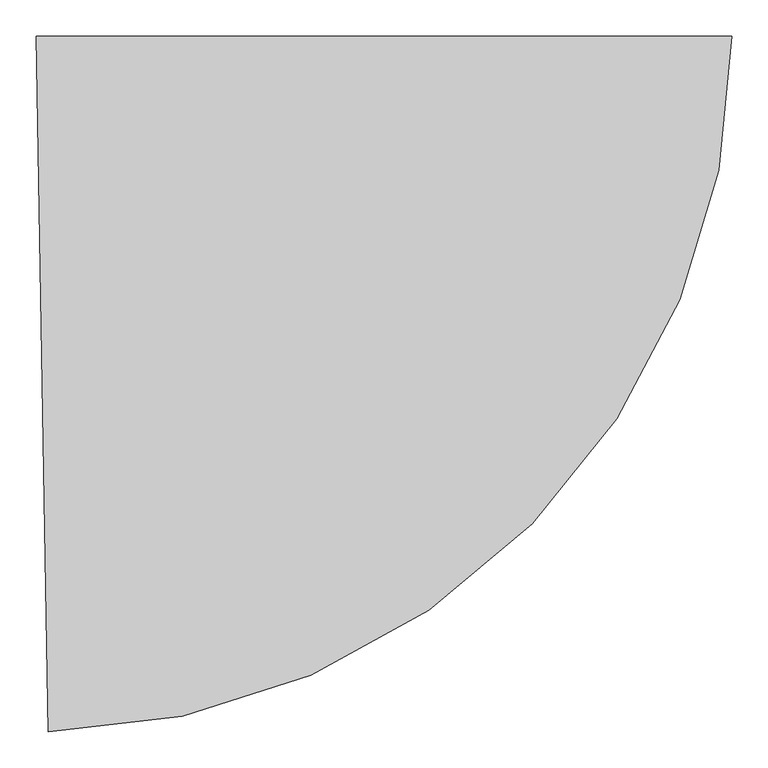
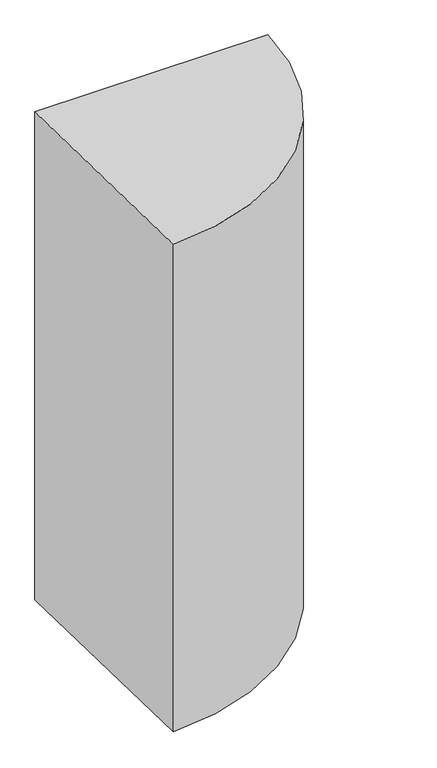
"""IFC4 building model written with IfcOpenShell, lengths in millimetres: proxy geometry."""

from ifc_helpers import new_model, si_unit, point, origin, origin_with_axes, origin_2d, place, context, project, spatial, polyline, circle_curve, trimmed, segment, composite_curve, outline, extrude, source, transform, mapped, element, save


def generic_models_f0292dc4(model_context):
    return source(origin(), model_context, "Body", "SweptSolid", [
        extrude(outline(composite_curve([segment(polyline([(0.0, 0.0), (960.0, 0.0)]), True, "CONTINUOUS"), segment(trimmed(circle_curve(origin_2d(), 960.0), [point((960.0, 0.0))], [point((16.7543102, -959.8537874))], False, "CARTESIAN"), True, "CONTINUOUS"), segment(polyline([(16.7543102, -959.8537874), (0.0, 0.0)]), True, "CONTINUOUS")], self_intersect=False)), origin_with_axes(), (0.0, 0.0, 1.0), 2127.0),
    ])


if __name__ == "__main__":
    model = new_model("IFC4")
    model_context = context("Model", 3, world=origin())
    ifc_project = project(units=[si_unit("LENGTHUNIT", "METRE", prefix="MILLI")], contexts=[model_context])
    site = spatial("IfcSite", under=ifc_project)
    building = spatial("IfcBuilding", under=site)
    placement = place(None, origin())
    generic_models_shape = generic_models_f0292dc4(model_context)
    element("IfcBuildingElementProxy", 1, Name="Generic Models", at=placement, inside=building, context=model_context, shape_type="MappedRepresentation", body=[
        mapped(generic_models_shape, transform((0.0, 0.0, 0.0), x_axis=(1.0, 0.0, 0.0), y_axis=(0.0, 1.0, 0.0), z_axis=(0.0, 0.0, 1.0))),
    ])
    save(model, "model.ifc")
